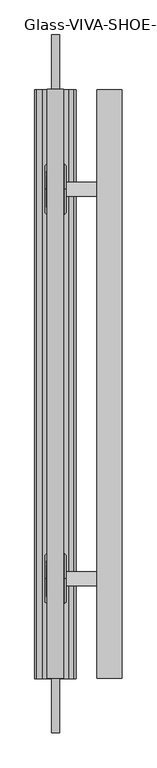
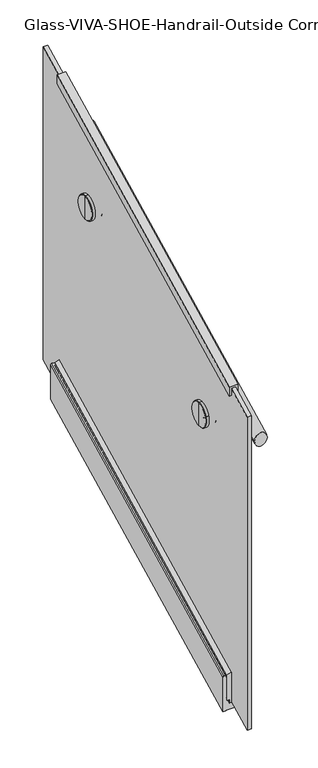
"""IFC4 building model written with IfcOpenShell, lengths in millimetres: railing geometry, Glass-VIVA-SHOE-Handrail-Outside Corner."""

from ifc_helpers import new_model, si_unit, point, frame, frame_2d, origin, place, context, project, spatial, polyline, circle_curve, ellipse_curve, trimmed, segment, composite_curve, outline, extrude, faceted_brep, source, transform, mapped, element, save
from ifc_brep_helpers import plane_surface, cylinder_surface, revolved_surface, advanced_brep


def glass_viva_shoe_handrail_outside_corner_ea5e2f29(model_context):
    return source(origin(), model_context, "Body", "SolidModel", [
        advanced_brep(
        [(-9348.8514824, 587.324143, -311.9922533), (-9348.8514824, 587.324143, -201.9497579), (-9352.0264824, 587.324143, -198.4), (-9359.9639824, 587.324143, -198.4), (-9359.9639824, 587.324143, -201.9497579), (-9359.9639824, 587.324143, -205.4995158), (-9359.9639824, 587.324143, -280.044432), (-9367.9014824, 587.324143, -280.044432), (-9367.9014824, 587.324143, -287.1439479), (-9371.0764824, 587.324143, -290.6937058), (-9390.1264824, 587.324143, -290.6937058), (-9393.3014824, 587.324143, -287.1439479), (-9393.3014824, 587.324143, -280.044432), (-9401.2389824, 587.324143, -280.044432), (-9401.2389824, 587.324143, -205.4995158), (-9401.2389824, 587.324143, -201.9497579), (-9401.2389824, 587.324143, -198.4), (-9409.1764824, 587.324143, -198.4), (-9412.3514824, 587.324143, -201.9497579), (-9412.3514824, 587.324143, -311.9922533), (-9402.8264824, 587.324143, -311.9922533), (-9402.8264824, 587.324143, -310.2173743), (-9358.3764824, 587.324143, -310.2173743), (-9358.3764824, 587.324143, -311.9922533), (-9348.8514824, 1487.324143, 138.0077467), (-9358.3764824, 1487.324143, 138.0077467), (-9358.3764824, 1487.324143, 139.7826257), (-9402.8264824, 1487.324143, 139.7826257), (-9402.8264824, 1487.324143, 138.0077467), (-9412.3514824, 1487.324143, 138.0077467), (-9412.3514824, 1487.324143, 248.0502421), (-9409.1764824, 1487.324143, 251.6), (-9401.2389824, 1487.324143, 251.6), (-9401.2389824, 1487.324143, 248.0502421), (-9401.2389824, 1487.324143, 244.5004842), (-9401.2389824, 1487.324143, 169.955568), (-9393.3014824, 1487.324143, 169.955568), (-9393.3014824, 1487.324143, 162.8560521), (-9390.1264824, 1487.324143, 159.3062942), (-9371.0764824, 1487.324143, 159.3062942), (-9367.9014824, 1487.324143, 162.8560521), (-9367.9014824, 1487.324143, 169.955568), (-9359.9639824, 1487.324143, 169.955568), (-9359.9639824, 1487.324143, 244.5004842), (-9359.9639824, 1487.324143, 248.0502421), (-9359.9639824, 1487.324143, 251.6), (-9352.0264824, 1487.324143, 251.6), (-9348.8514824, 1487.324143, 248.0502421)],
        [
            (0, 1),
            (1, 2, ellipse_curve(frame((-9352.0264824, 587.324143, -201.9497579), z_axis=(0.0, -1.0, 0.0), x_axis=(0.0, 0.0, -1.0)), 3.5497579, 3.175)),
            (2, 3),
            (3, 4),
            (4, 5, ellipse_curve(frame((-9359.9639824, 587.324143, -203.7246369), z_axis=(0.0, 1.0, 0.0), x_axis=(0.0, 0.0, 1.0)), 1.774879, 1.5875)),
            (5, 6),
            (6, 7),
            (7, 8),
            (8, 9, ellipse_curve(frame((-9371.0764824, 587.324143, -287.1439479), z_axis=(0.0, 1.0, 0.0), x_axis=(0.0, 0.0, 1.0)), 3.5497579, 3.175)),
            (9, 10),
            (10, 11, ellipse_curve(frame((-9390.1264824, 587.324143, -287.1439479), z_axis=(0.0, 1.0, 0.0), x_axis=(0.0, 0.0, 1.0)), 3.5497579, 3.175)),
            (11, 12),
            (12, 13),
            (13, 14),
            (14, 15, ellipse_curve(frame((-9401.2389824, 587.324143, -203.7246369), z_axis=(0.0, 1.0, 0.0), x_axis=(0.0, 0.0, 1.0)), 1.774879, 1.5875)),
            (15, 16),
            (16, 17),
            (17, 18, ellipse_curve(frame((-9409.1764824, 587.324143, -201.9497579), z_axis=(0.0, -1.0, 0.0), x_axis=(0.0, 0.0, -1.0)), 3.5497579, 3.175)),
            (18, 19),
            (19, 20),
            (20, 21),
            (21, 22),
            (22, 23),
            (23, 0),
            (24, 25),
            (25, 26),
            (26, 27),
            (27, 28),
            (28, 29),
            (29, 30),
            (30, 31, ellipse_curve(frame((-9409.1764824, 1487.324143, 248.0502421), z_axis=(0.0, 1.0, 0.0), x_axis=(0.0, 0.0, -1.0)), 3.5497579, 3.175)),
            (31, 32),
            (32, 33),
            (33, 34, ellipse_curve(frame((-9401.2389824, 1487.324143, 246.2753631), z_axis=(0.0, -1.0, 0.0), x_axis=(0.0, 0.0, 1.0)), 1.774879, 1.5875)),
            (34, 35),
            (35, 36),
            (36, 37),
            (37, 38, ellipse_curve(frame((-9390.1264824, 1487.324143, 162.8560521), z_axis=(0.0, -1.0, 0.0), x_axis=(0.0, 0.0, 1.0)), 3.5497579, 3.175)),
            (38, 39),
            (39, 40, ellipse_curve(frame((-9371.0764824, 1487.324143, 162.8560521), z_axis=(0.0, -1.0, 0.0), x_axis=(0.0, 0.0, 1.0)), 3.5497579, 3.175)),
            (40, 41),
            (41, 42),
            (42, 43),
            (43, 44, ellipse_curve(frame((-9359.9639824, 1487.324143, 246.2753631), z_axis=(0.0, -1.0, 0.0), x_axis=(0.0, 0.0, 1.0)), 1.774879, 1.5875)),
            (44, 45),
            (45, 46),
            (46, 47, ellipse_curve(frame((-9352.0264824, 1487.324143, 248.0502421), z_axis=(0.0, 1.0, 0.0), x_axis=(0.0, 0.0, -1.0)), 3.5497579, 3.175)),
            (47, 24),
            (0, 24),
            (47, 1),
            (46, 2),
            (45, 3),
            (44, 4),
            (43, 5),
            (42, 6),
            (41, 7),
            (40, 8),
            (39, 9),
            (38, 10),
            (37, 11),
            (36, 12),
            (35, 13),
            (34, 14),
            (33, 15),
            (32, 16),
            (31, 17),
            (30, 18),
            (29, 19),
            (28, 20),
            (27, 21),
            (26, 22),
            (25, 23),
        ],
        [
            plane_surface(frame((-9380.6014824, 587.324143, -198.4), z_axis=(0.0, -1.0, 0.0), x_axis=(0.0, 0.0, 1.0))),
            plane_surface(frame((-9380.6014824, 1487.324143, 251.6), z_axis=(0.0, 1.0, 0.0), x_axis=(0.0, 0.0, 1.0))),
            plane_surface(frame((-9348.8514824, 587.324143, -311.9922533), z_axis=(1.0000000000000002, 0.0, 0.0), x_axis=(0.0, 0.894427190999916, 0.447213595499958))),
            cylinder_surface(frame((-9352.0264824, 588.7440462, -201.2398063), z_axis=(0.0, -0.894427190999916, -0.447213595499958), x_axis=(-1.0, 0.0, 0.0)), 3.175),
            plane_surface(frame((-9352.0264824, 587.324143, -198.4), z_axis=(0.0, -0.447213595499958, 0.894427190999916), x_axis=(0.0, 0.894427190999916, 0.447213595499958))),
            plane_surface(frame((-9359.9639824, 587.324143, -198.4), z_axis=(-1.0000000000000002, 0.0, 0.0), x_axis=(0.0, 0.894427190999916, 0.447213595499958))),
            revolved_surface(polyline([(-9361.5514824, 1488.0340946000001, 246.6303389000001), (-9361.5514824, 586.6141914, -204.07961269999998)]), (-9359.9639824, 589.4539978, -202.6597095), (0.0, 0.894427190999916, 0.447213595499958)),
            plane_surface(frame((-9359.9639824, 587.324143, -205.4995158), z_axis=(-1.0000000000000002, 0.0, 0.0), x_axis=(0.0, 0.894427190999916, 0.447213595499958))),
            plane_surface(frame((-9359.9639824, 587.324143, -280.044432), z_axis=(0.0, -0.447213595499958, 0.894427190999916), x_axis=(0.0, 0.894427190999916, 0.447213595499958))),
            plane_surface(frame((-9367.9014824, 587.324143, -280.044432), z_axis=(-1.0000000000000002, 0.0, 0.0), x_axis=(0.0, 0.894427190999916, 0.447213595499958))),
            revolved_surface(polyline([(-9374.251482399999, 1488.7440461600002, 163.5660036800001), (-9374.251482399999, 585.9042398400001, -287.85389947999994)]), (-9371.0764824, 622.8217222, -269.3951583), (0.0, 0.894427190999916, 0.447213595499958)),
            plane_surface(frame((-9371.0764824, 587.324143, -290.6937058), z_axis=(0.0, -0.447213595499958, 0.894427190999916), x_axis=(0.0, 0.894427190999916, 0.447213595499958))),
            revolved_surface(polyline([(-9386.951482400002, 1488.7440461600002, 163.5660036800001), (-9386.951482400002, 585.9042398400001, -287.85389947999994)]), (-9390.1264824, 622.8217222, -269.3951583), (0.0, 0.894427190999916, 0.447213595499958)),
            plane_surface(frame((-9393.3014824, 587.324143, -287.1439479), z_axis=(1.0000000000000002, 0.0, 0.0), x_axis=(0.0, 0.894427190999916, 0.447213595499958))),
            plane_surface(frame((-9393.3014824, 587.324143, -280.044432), z_axis=(0.0, -0.447213595499958, 0.894427190999916), x_axis=(0.0, 0.894427190999916, 0.447213595499958))),
            plane_surface(frame((-9401.2389824, 587.324143, -280.044432), z_axis=(1.0000000000000002, 0.0, 0.0), x_axis=(0.0, 0.894427190999916, 0.447213595499958))),
            revolved_surface(polyline([(-9399.6514824, 1488.0340946000001, 246.6303389000001), (-9399.6514824, 586.6141914, -204.07961269999998)]), (-9401.2389824, 589.4539978, -202.6597095), (0.0, 0.894427190999916, 0.447213595499958)),
            plane_surface(frame((-9401.2389824, 587.324143, -201.9497579), z_axis=(1.0000000000000002, 0.0, 0.0), x_axis=(0.0, 0.894427190999916, 0.447213595499958))),
            plane_surface(frame((-9401.2389824, 587.324143, -198.4), z_axis=(0.0, -0.447213595499958, 0.894427190999916), x_axis=(0.0, 0.894427190999916, 0.447213595499958))),
            cylinder_surface(frame((-9409.1764824, 588.7440462, -201.2398063), z_axis=(0.0, -0.894427190999916, -0.447213595499958), x_axis=(1.0, 0.0, 0.0)), 3.175),
            plane_surface(frame((-9412.3514824, 587.324143, -201.9497579), z_axis=(-1.0000000000000002, 0.0, 0.0), x_axis=(0.0, 0.894427190999916, 0.447213595499958))),
            plane_surface(frame((-9412.3514824, 587.324143, -311.9922533), z_axis=(0.0, 0.447213595499958, -0.894427190999916), x_axis=(0.0, 0.894427190999916, 0.447213595499958))),
            plane_surface(frame((-9402.8264824, 587.324143, -311.9922533), z_axis=(1.0000000000000002, 0.0, 0.0), x_axis=(0.0, 0.894427190999916, 0.447213595499958))),
            plane_surface(frame((-9402.8264824, 587.324143, -310.2173743), z_axis=(0.0, 0.447213595499958, -0.894427190999916), x_axis=(0.0, 0.894427190999916, 0.447213595499958))),
            plane_surface(frame((-9358.3764824, 587.324143, -310.2173743), z_axis=(-1.0000000000000002, 0.0, 0.0), x_axis=(0.0, 0.894427190999916, 0.447213595499958))),
            plane_surface(frame((-9358.3764824, 587.324143, -311.9922533), z_axis=(0.0, 0.447213595499958, -0.894427190999916), x_axis=(0.0, 0.894427190999916, 0.447213595499958))),
        ],
        [
            (0, [[1, 2, 3, 4, 5, 6, 7, 8, 9, 10, 11, 12, 13, 14, 15, 16, 17, 18, 19, 20, 21, 22, 23, 24]]),
            (1, [[25, 26, 27, 28, 29, 30, 31, 32, 33, 34, 35, 36, 37, 38, 39, 40, 41, 42, 43, 44, 45, 46, 47, 48]]),
            (2, [[-1, 49, -48, 50]]),
            (3, [[-2, -50, -47, 51]]),
            (4, [[-3, -51, -46, 52]]),
            (5, [[-4, -52, -45, 53]]),
            (6, [[-5, -53, -44, 54]]),
            (7, [[-6, -54, -43, 55]]),
            (8, [[-7, -55, -42, 56]]),
            (9, [[-8, -56, -41, 57]]),
            (10, [[-9, -57, -40, 58]]),
            (11, [[-10, -58, -39, 59]]),
            (12, [[-11, -59, -38, 60]]),
            (13, [[-12, -60, -37, 61]]),
            (14, [[-13, -61, -36, 62]]),
            (15, [[-14, -62, -35, 63]]),
            (16, [[-15, -63, -34, 64]]),
            (17, [[-16, -64, -33, 65]]),
            (18, [[-17, -65, -32, 66]]),
            (19, [[-18, -66, -31, 67]]),
            (20, [[-19, -67, -30, 68]]),
            (21, [[-20, -68, -29, 69]]),
            (22, [[-21, -69, -28, 70]]),
            (23, [[-22, -70, -27, 71]]),
            (24, [[-23, -71, -26, 72]]),
            (25, [[-24, -72, -25, -49]]),
        ],
    ),
        advanced_brep(
        [(-9401.2389824, 587.324143, -280.044432), (-9393.3014824, 587.324143, -280.044432), (-9393.3014824, 587.324143, -290.6937058), (-9367.9014824, 587.324143, -290.6937058), (-9367.9014824, 587.324143, -280.044432), (-9359.9639824, 587.324143, -280.044432), (-9359.9639824, 587.324143, -205.4995158), (-9359.9639824, 587.324143, -201.9497579), (-9359.9639824, 587.324143, -198.4), (-9374.2514824, 587.324143, -194.8502421), (-9374.2514824, 587.324143, -287.1439479), (-9386.9514824, 587.324143, -287.1439479), (-9386.9514824, 587.324143, -194.8502421), (-9401.2389824, 587.324143, -198.4), (-9401.2389824, 587.324143, -201.9497579), (-9401.2389824, 587.324143, -205.4995158), (-9401.2389824, 1487.324143, 169.955568), (-9401.2389824, 1487.324143, 244.5004842), (-9401.2389824, 1487.324143, 248.0502421), (-9401.2389824, 1487.324143, 251.6), (-9386.9514824, 1487.324143, 255.1497579), (-9386.9514824, 1487.324143, 162.8560521), (-9374.2514824, 1487.324143, 162.8560521), (-9374.2514824, 1487.324143, 255.1497579), (-9359.9639824, 1487.324143, 251.6), (-9359.9639824, 1487.324143, 248.0502421), (-9359.9639824, 1487.324143, 244.5004842), (-9359.9639824, 1487.324143, 169.955568), (-9367.9014824, 1487.324143, 169.955568), (-9367.9014824, 1487.324143, 159.3062942), (-9393.3014824, 1487.324143, 159.3062942), (-9393.3014824, 1487.324143, 169.955568)],
        [
            (0, 1),
            (1, 2),
            (2, 3),
            (3, 4),
            (4, 5),
            (5, 6),
            (6, 7, ellipse_curve(frame((-9359.9639824, 587.324143, -203.7246369), z_axis=(0.0, -1.0, 0.0), x_axis=(0.0, 0.0, -1.0)), 1.774879, 1.5875)),
            (7, 8),
            (8, 9),
            (9, 10),
            (10, 11),
            (11, 12),
            (12, 13),
            (13, 14),
            (14, 15, ellipse_curve(frame((-9401.2389824, 587.324143, -203.7246369), z_axis=(0.0, -1.0, 0.0), x_axis=(0.0, 0.0, -1.0)), 1.774879, 1.5875)),
            (15, 0),
            (16, 17),
            (17, 18, ellipse_curve(frame((-9401.2389824, 1487.324143, 246.2753631), z_axis=(0.0, 1.0, 0.0), x_axis=(0.0, 0.0, -1.0)), 1.774879, 1.5875)),
            (18, 19),
            (19, 20),
            (20, 21),
            (21, 22),
            (22, 23),
            (23, 24),
            (24, 25),
            (25, 26, ellipse_curve(frame((-9359.9639824, 1487.324143, 246.2753631), z_axis=(0.0, 1.0, 0.0), x_axis=(0.0, 0.0, -1.0)), 1.774879, 1.5875)),
            (26, 27),
            (27, 28),
            (28, 29),
            (29, 30),
            (30, 31),
            (31, 16),
            (0, 16),
            (31, 1),
            (30, 2),
            (29, 3),
            (28, 4),
            (27, 5),
            (26, 6),
            (25, 7),
            (24, 8),
            (23, 9),
            (22, 10),
            (21, 11),
            (20, 12),
            (19, 13),
            (18, 14),
            (17, 15),
        ],
        [
            plane_surface(frame((-9380.6014824, 587.324143, -198.4), z_axis=(0.0, -1.0, 0.0), x_axis=(0.0, 0.0, 1.0))),
            plane_surface(frame((-9380.6014824, 1487.324143, 251.6), z_axis=(0.0, 1.0, 0.0), x_axis=(0.0, 0.0, 1.0))),
            plane_surface(frame((-9401.2389824, 587.324143, -280.044432), z_axis=(0.0, 0.447213595499958, -0.894427190999916), x_axis=(0.0, 0.894427190999916, 0.447213595499958))),
            plane_surface(frame((-9393.3014824, 587.324143, -280.044432), z_axis=(-1.0000000000000002, 0.0, 0.0), x_axis=(0.0, 0.894427190999916, 0.447213595499958))),
            plane_surface(frame((-9393.3014824, 587.324143, -290.6937058), z_axis=(0.0, 0.447213595499958, -0.894427190999916), x_axis=(0.0, 0.894427190999916, 0.447213595499958))),
            plane_surface(frame((-9367.9014824, 587.324143, -290.6937058), z_axis=(1.0000000000000002, 0.0, 0.0), x_axis=(0.0, 0.894427190999916, 0.447213595499958))),
            plane_surface(frame((-9367.9014824, 587.324143, -280.044432), z_axis=(0.0, 0.447213595499958, -0.894427190999916), x_axis=(0.0, 0.894427190999916, 0.447213595499958))),
            plane_surface(frame((-9359.9639824, 587.324143, -280.044432), z_axis=(1.0000000000000002, 0.0, 0.0), x_axis=(0.0, 0.894427190999916, 0.447213595499958))),
            cylinder_surface(frame((-9359.9639824, 589.4539978, -202.6597095), z_axis=(0.0, -0.894427190999916, -0.447213595499958), x_axis=(-1.0, 0.0, 0.0)), 1.5875),
            plane_surface(frame((-9359.9639824, 587.324143, -201.9497579), z_axis=(1.0000000000000002, 0.0, 0.0), x_axis=(0.0, 0.894427190999916, 0.447213595499958))),
            plane_surface(frame((-9359.9639824, 587.324143, -198.4), z_axis=(0.21693045781865475, -0.43656412506539977, 0.873128250130799), x_axis=(0.0, 0.894427190999916, 0.447213595499958))),
            plane_surface(frame((-9374.2514824, 587.324143, -194.8502421), z_axis=(-1.0000000000000002, 0.0, 0.0), x_axis=(0.0, 0.894427190999916, 0.447213595499958))),
            plane_surface(frame((-9374.2514824, 587.324143, -287.1439479), z_axis=(0.0, -0.447213595499958, 0.894427190999916), x_axis=(0.0, 0.894427190999916, 0.447213595499958))),
            plane_surface(frame((-9386.9514824, 587.324143, -287.1439479), z_axis=(1.0000000000000002, 0.0, 0.0), x_axis=(0.0, 0.894427190999916, 0.447213595499958))),
            plane_surface(frame((-9386.9514824, 587.324143, -194.8502421), z_axis=(-0.21693045781865583, -0.4365641250653992, 0.873128250130799), x_axis=(0.0, 0.894427190999916, 0.447213595499958))),
            plane_surface(frame((-9401.2389824, 587.324143, -198.4), z_axis=(-1.0000000000000002, 0.0, 0.0), x_axis=(0.0, 0.894427190999916, 0.447213595499958))),
            cylinder_surface(frame((-9401.2389824, 589.4539978, -202.6597095), z_axis=(0.0, -0.894427190999916, -0.447213595499958), x_axis=(1.0, 0.0, 0.0)), 1.5875),
            plane_surface(frame((-9401.2389824, 587.324143, -205.4995158), z_axis=(-1.0000000000000002, 0.0, 0.0), x_axis=(0.0, 0.894427190999916, 0.447213595499958))),
        ],
        [
            (0, [[1, 2, 3, 4, 5, 6, 7, 8, 9, 10, 11, 12, 13, 14, 15, 16]]),
            (1, [[17, 18, 19, 20, 21, 22, 23, 24, 25, 26, 27, 28, 29, 30, 31, 32]]),
            (2, [[-1, 33, -32, 34]]),
            (3, [[-2, -34, -31, 35]]),
            (4, [[-3, -35, -30, 36]]),
            (5, [[-4, -36, -29, 37]]),
            (6, [[-5, -37, -28, 38]]),
            (7, [[-6, -38, -27, 39]]),
            (8, [[-7, -39, -26, 40]]),
            (9, [[-8, -40, -25, 41]]),
            (10, [[-9, -41, -24, 42]]),
            (11, [[-10, -42, -23, 43]]),
            (12, [[-11, -43, -22, 44]]),
            (13, [[-12, -44, -21, 45]]),
            (14, [[-13, -45, -20, 46]]),
            (15, [[-14, -46, -19, 47]]),
            (16, [[-15, -47, -18, 48]]),
            (17, [[-16, -48, -17, -33]]),
        ],
    ),
        advanced_brep(
        [(-9279.0014824, 587.324143, 516.9014525), (-9317.1014824, 587.324143, 516.9014525), (-9279.0014824, 1487.324143, 966.9014525), (-9317.1014824, 1487.324143, 966.9014525)],
        [
            (0, 1, ellipse_curve(frame((-9298.0514824, 587.324143, 516.9014525), z_axis=(0.0, -1.0, 0.0), x_axis=(0.0, 0.0, -1.0)), 21.2985475, 19.05)),
            (1, 0, ellipse_curve(frame((-9298.0514824, 587.324143, 516.9014525), z_axis=(0.0, -1.0, 0.0), x_axis=(0.0, 0.0, -1.0)), 21.2985475, 19.05)),
            (2, 3, ellipse_curve(frame((-9298.0514824, 1487.324143, 966.9014525), z_axis=(0.0, 1.0, 0.0), x_axis=(0.0, 0.0, -1.0)), 21.2985475, 19.05)),
            (3, 2, ellipse_curve(frame((-9298.0514824, 1487.324143, 966.9014525), z_axis=(0.0, 1.0, 0.0), x_axis=(0.0, 0.0, -1.0)), 21.2985475, 19.05)),
            (0, 2),
            (3, 1),
        ],
        [
            plane_surface(frame((-9298.0514824, 587.324143, 538.2), z_axis=(0.0, -1.0, 0.0), x_axis=(0.0, 0.0, 1.0))),
            plane_surface(frame((-9298.0514824, 1487.324143, 988.2), z_axis=(0.0, 1.0, 0.0), x_axis=(0.0, 0.0, 1.0))),
            cylinder_surface(frame((-9298.0514824, 595.843562, 521.161162), z_axis=(0.0, -0.8944271909999159, -0.447213595499958), x_axis=(-1.0, 0.0, 0.0)), 19.05),
        ],
        [
            (0, [[1, 2]]),
            (1, [[3, 4]]),
            (2, [[-1, 5, -4, 6]]),
            (2, [[-2, -6, -3, -5]]),
        ],
    ),
        faceted_brep([(-9367.9014824, 587.324143, 716.0), (-9393.3014824, 587.324143, 716.0), (-9393.3014824, 587.324143, 687.6019367), (-9386.9514824, 587.324143, 687.6019367), (-9386.9514824, 587.324143, 710.6753631), (-9374.2514824, 587.324143, 710.6753631), (-9374.2514824, 587.324143, 687.6019367), (-9367.9014824, 587.324143, 687.6019367), (-9367.9014824, 1487.324143, 1166.0), (-9367.9014824, 1487.324143, 1137.6019367), (-9374.2514824, 1487.324143, 1137.6019367), (-9374.2514824, 1487.324143, 1160.6753631), (-9386.9514824, 1487.324143, 1160.6753631), (-9386.9514824, 1487.324143, 1137.6019367), (-9393.3014824, 1487.324143, 1137.6019367), (-9393.3014824, 1487.324143, 1166.0)], [[[0, 1, 2, 3, 4, 5, 6, 7]], [[8, 9, 10, 11, 12, 13, 14, 15]], [[1, 0, 8, 15]], [[2, 1, 15, 14]], [[3, 2, 14, 13]], [[4, 3, 13, 12]], [[5, 4, 12, 11]], [[6, 5, 11, 10]], [[7, 6, 10, 9]], [[0, 7, 9, 8]]]),
        extrude(outline(polyline([(1570.724143, 204.5560521), (503.924143, -328.8439479), (503.924143, 668.9753631), (1570.724143, 1202.3753631), (1570.724143, 204.5560521)])), frame((-9386.9514824, 0.0, 0.0), z_axis=(1.0, 0.0, 0.0), x_axis=(0.0, 1.0, 0.0)), (0.0, 0.0, 1.0), 12.7),
        extrude(outline(composite_curve([segment(trimmed(circle_curve(frame_2d((-9298.0514824, 1334.924143)), 5.953125), [point((-9304.0046074, 1334.924143))], [point((-9292.0983574, 1334.924143))], False, "CARTESIAN"), True, "CONTINUOUS"), segment(trimmed(circle_curve(frame_2d((-9298.0514824, 1334.924143)), 5.953125), [point((-9292.0983574, 1334.924143))], [point((-9304.0046074, 1334.924143))], False, "CARTESIAN"), True, "CONTINUOUS")], self_intersect=False)), frame((0.0, 0.0, 810.4), z_axis=(0.0, 0.0, 1.0), x_axis=(1.0, 0.0, 0.0)), (0.0, 0.0, 1.0), 76.2),
        extrude(outline(composite_curve([segment(trimmed(circle_curve(frame_2d((1334.924143, 835.8)), 11.0132813), [point((1345.9374243, 835.8))], [point((1323.9108618, 835.8))], False, "CARTESIAN"), True, "CONTINUOUS"), segment(trimmed(circle_curve(frame_2d((1334.924143, 835.8)), 11.0132813), [point((1323.9108618, 835.8))], [point((1345.9374243, 835.8))], False, "CARTESIAN"), True, "CONTINUOUS")], self_intersect=False)), frame((-9364.6272636, 0.0, 0.0), z_axis=(1.0, 0.0, 0.0), x_axis=(0.0, 1.0, 0.0)), (0.0, 0.0, 1.0), 79.2757812),
        advanced_brep(
        [(-9396.5757011, 1334.924143, 835.8), (-9396.5757011, 1334.924143, 799.684375), (-9396.5757011, 1334.924143, 871.915625), (-9364.6272636, 1334.924143, 799.684375), (-9364.6272636, 1334.924143, 835.8), (-9364.6272636, 1334.924143, 871.915625), (-9366.6116386, 1334.924143, 797.7), (-9366.6116386, 1334.924143, 873.9), (-9374.2514824, 1334.924143, 797.7), (-9374.2514824, 1334.924143, 873.9), (-9374.2514824, 1334.924143, 823.1), (-9374.2514824, 1334.924143, 848.5), (-9386.9514824, 1334.924143, 823.1), (-9386.9514824, 1334.924143, 848.5), (-9386.9514824, 1334.924143, 797.7), (-9386.9514824, 1334.924143, 873.9), (-9394.5913261, 1334.924143, 797.7), (-9394.5913261, 1334.924143, 873.9)],
        [
            (0, 1),
            (1, 2, circle_curve(frame((-9396.5757011, 1334.924143, 835.8), z_axis=(-1.0, 0.0, 0.0), x_axis=(0.0, 0.0, 1.0)), 36.115625)),
            (2, 0),
            (2, 1, circle_curve(frame((-9396.5757011, 1334.924143, 835.8), z_axis=(-1.0, 0.0, 0.0), x_axis=(0.0, 0.0, 1.0)), 36.115625)),
            (3, 4),
            (4, 5),
            (5, 3, circle_curve(frame((-9364.6272636, 1334.924143, 835.8), z_axis=(1.0, 0.0, 0.0), x_axis=(0.0, 0.0, 1.0)), 36.115625)),
            (3, 5, circle_curve(frame((-9364.6272636, 1334.924143, 835.8), z_axis=(1.0, 0.0, 0.0), x_axis=(0.0, 0.0, 1.0)), 36.115625)),
            (6, 3),
            (5, 7),
            (7, 6, circle_curve(frame((-9366.6116386, 1334.924143, 835.8), z_axis=(1.0, 0.0, 0.0), x_axis=(0.0, 0.0, 1.0)), 38.1)),
            (6, 7, circle_curve(frame((-9366.6116386, 1334.924143, 835.8), z_axis=(1.0, 0.0, 0.0), x_axis=(0.0, 0.0, 1.0)), 38.1)),
            (8, 6),
            (7, 9),
            (9, 8, circle_curve(frame((-9374.2514824, 1334.924143, 835.8), z_axis=(1.0, 0.0, 0.0), x_axis=(0.0, 0.0, 1.0)), 38.1)),
            (8, 9, circle_curve(frame((-9374.2514824, 1334.924143, 835.8), z_axis=(1.0, 0.0, 0.0), x_axis=(0.0, 0.0, 1.0)), 38.1)),
            (10, 8),
            (9, 11),
            (11, 10, circle_curve(frame((-9374.2514824, 1334.924143, 835.8), z_axis=(1.0, 0.0, 0.0), x_axis=(0.0, 0.0, 1.0)), 12.7)),
            (10, 11, circle_curve(frame((-9374.2514824, 1334.924143, 835.8), z_axis=(1.0, 0.0, 0.0), x_axis=(0.0, 0.0, 1.0)), 12.7)),
            (12, 10),
            (11, 13),
            (13, 12, circle_curve(frame((-9386.9514824, 1334.924143, 835.8), z_axis=(1.0, 0.0, 0.0), x_axis=(0.0, 0.0, 1.0)), 12.7)),
            (12, 13, circle_curve(frame((-9386.9514824, 1334.924143, 835.8), z_axis=(1.0, 0.0, 0.0), x_axis=(0.0, 0.0, 1.0)), 12.7)),
            (14, 12),
            (13, 15),
            (15, 14, circle_curve(frame((-9386.9514824, 1334.924143, 835.8), z_axis=(1.0, 0.0, 0.0), x_axis=(0.0, 0.0, 1.0)), 38.1)),
            (14, 15, circle_curve(frame((-9386.9514824, 1334.924143, 835.8), z_axis=(1.0, 0.0, 0.0), x_axis=(0.0, 0.0, 1.0)), 38.1)),
            (16, 14),
            (15, 17),
            (17, 16, circle_curve(frame((-9394.5913261, 1334.924143, 835.8), z_axis=(1.0, 0.0, 0.0), x_axis=(0.0, 0.0, 1.0)), 38.1)),
            (16, 17, circle_curve(frame((-9394.5913261, 1334.924143, 835.8), z_axis=(1.0, 0.0, 0.0), x_axis=(0.0, 0.0, 1.0)), 38.1)),
            (1, 16),
            (17, 2),
        ],
        [
            plane_surface(frame((-9396.5757011, 1334.924143, 835.8), z_axis=(-1.0, 0.0, 0.0), x_axis=(0.0, 0.0, 1.0))),
            plane_surface(frame((-9364.6272636, 1334.924143, 835.8), z_axis=(1.0, 0.0, 0.0), x_axis=(0.0, 0.0, 1.0))),
            revolved_surface(polyline([(-9364.6272636, 1334.924143, 871.915625), (-9366.6116386, 1334.924143, 873.9)]), (-9432.6913261, 1334.924143, 835.8), (-1.0, 0.0, 0.0)),
            cylinder_surface(frame((-9432.6913261, 1334.924143, 835.8), z_axis=(-1.0, 0.0, 0.0), x_axis=(0.0, 0.0, 1.0)), 38.1),
            plane_surface(frame((-9374.2514824, 1334.924143, 835.8), z_axis=(-1.0, 0.0, 0.0), x_axis=(0.0, 0.0, 1.0))),
            cylinder_surface(frame((-9432.6913261, 1334.924143, 835.8), z_axis=(-1.0, 0.0, 0.0), x_axis=(0.0, 0.0, 1.0)), 12.7),
            plane_surface(frame((-9386.9514824, 1334.924143, 835.8), z_axis=(1.0, 0.0, 0.0), x_axis=(0.0, 0.0, 1.0))),
            revolved_surface(polyline([(-9394.5913261, 1334.924143, 873.9), (-9396.5757011, 1334.924143, 871.915625)]), (-9432.6913261, 1334.924143, 835.8), (-1.0, 0.0, 0.0)),
        ],
        [
            (0, [[1, 2, 3]]),
            (0, [[-3, 4, -1]]),
            (1, [[5, 6, 7]]),
            (1, [[-6, -5, 8]]),
            (2, [[9, -7, 10, 11]]),
            (2, [[-10, -8, -9, 12]]),
            (3, [[13, -11, 14, 15]]),
            (3, [[-14, -12, -13, 16]]),
            (4, [[17, -15, 18, 19]]),
            (4, [[-18, -16, -17, 20]]),
            (5, [[21, -19, 22, 23]]),
            (5, [[-22, -20, -21, 24]]),
            (6, [[25, -23, 26, 27]]),
            (6, [[-26, -24, -25, 28]]),
            (3, [[29, -27, 30, 31]]),
            (3, [[-30, -28, -29, 32]]),
            (7, [[33, -31, 34, -2]]),
            (7, [[-34, -32, -33, -4]]),
        ],
    ),
        extrude(outline(composite_curve([segment(trimmed(circle_curve(frame_2d((-9298.0514824, 739.724143)), 5.953125), [point((-9304.0046074, 739.724143))], [point((-9292.0983574, 739.724143))], False, "CARTESIAN"), True, "CONTINUOUS"), segment(trimmed(circle_curve(frame_2d((-9298.0514824, 739.724143)), 5.953125), [point((-9292.0983574, 739.724143))], [point((-9304.0046074, 739.724143))], False, "CARTESIAN"), True, "CONTINUOUS")], self_intersect=False)), frame((0.0, 0.0, 512.8), z_axis=(0.0, 0.0, 1.0), x_axis=(1.0, 0.0, 0.0)), (0.0, 0.0, 1.0), 76.2),
        extrude(outline(composite_curve([segment(trimmed(circle_curve(frame_2d((739.724143, 538.2)), 11.0132813), [point((750.7374243, 538.2))], [point((728.7108618, 538.2))], False, "CARTESIAN"), True, "CONTINUOUS"), segment(trimmed(circle_curve(frame_2d((739.724143, 538.2)), 11.0132813), [point((728.7108618, 538.2))], [point((750.7374243, 538.2))], False, "CARTESIAN"), True, "CONTINUOUS")], self_intersect=False)), frame((-9364.6272636, 0.0, 0.0), z_axis=(1.0, 0.0, 0.0), x_axis=(0.0, 1.0, 0.0)), (0.0, 0.0, 1.0), 79.2757812),
        advanced_brep(
        [(-9396.5757011, 739.724143, 538.2), (-9396.5757011, 739.724143, 502.084375), (-9396.5757011, 739.724143, 574.315625), (-9364.6272636, 739.724143, 502.084375), (-9364.6272636, 739.724143, 538.2), (-9364.6272636, 739.724143, 574.315625), (-9366.6116386, 739.724143, 500.1), (-9366.6116386, 739.724143, 576.3), (-9374.2514824, 739.724143, 500.1), (-9374.2514824, 739.724143, 576.3), (-9374.2514824, 739.724143, 525.5), (-9374.2514824, 739.724143, 550.9), (-9386.9514824, 739.724143, 525.5), (-9386.9514824, 739.724143, 550.9), (-9386.9514824, 739.724143, 500.1), (-9386.9514824, 739.724143, 576.3), (-9394.5913261, 739.724143, 500.1), (-9394.5913261, 739.724143, 576.3)],
        [
            (0, 1),
            (1, 2, circle_curve(frame((-9396.5757011, 739.724143, 538.2), z_axis=(-1.0, 0.0, 0.0), x_axis=(0.0, 0.0, 1.0)), 36.115625)),
            (2, 0),
            (2, 1, circle_curve(frame((-9396.5757011, 739.724143, 538.2), z_axis=(-1.0, 0.0, 0.0), x_axis=(0.0, 0.0, 1.0)), 36.115625)),
            (3, 4),
            (4, 5),
            (5, 3, circle_curve(frame((-9364.6272636, 739.724143, 538.2), z_axis=(1.0, 0.0, 0.0), x_axis=(0.0, 0.0, 1.0)), 36.115625)),
            (3, 5, circle_curve(frame((-9364.6272636, 739.724143, 538.2), z_axis=(1.0, 0.0, 0.0), x_axis=(0.0, 0.0, 1.0)), 36.115625)),
            (6, 3),
            (5, 7),
            (7, 6, circle_curve(frame((-9366.6116386, 739.724143, 538.2), z_axis=(1.0, 0.0, 0.0), x_axis=(0.0, 0.0, 1.0)), 38.1)),
            (6, 7, circle_curve(frame((-9366.6116386, 739.724143, 538.2), z_axis=(1.0, 0.0, 0.0), x_axis=(0.0, 0.0, 1.0)), 38.1)),
            (8, 6),
            (7, 9),
            (9, 8, circle_curve(frame((-9374.2514824, 739.724143, 538.2), z_axis=(1.0, 0.0, 0.0), x_axis=(0.0, 0.0, 1.0)), 38.1)),
            (8, 9, circle_curve(frame((-9374.2514824, 739.724143, 538.2), z_axis=(1.0, 0.0, 0.0), x_axis=(0.0, 0.0, 1.0)), 38.1)),
            (10, 8),
            (9, 11),
            (11, 10, circle_curve(frame((-9374.2514824, 739.724143, 538.2), z_axis=(1.0, 0.0, 0.0), x_axis=(0.0, 0.0, 1.0)), 12.7)),
            (10, 11, circle_curve(frame((-9374.2514824, 739.724143, 538.2), z_axis=(1.0, 0.0, 0.0), x_axis=(0.0, 0.0, 1.0)), 12.7)),
            (12, 10),
            (11, 13),
            (13, 12, circle_curve(frame((-9386.9514824, 739.724143, 538.2), z_axis=(1.0, 0.0, 0.0), x_axis=(0.0, 0.0, 1.0)), 12.7)),
            (12, 13, circle_curve(frame((-9386.9514824, 739.724143, 538.2), z_axis=(1.0, 0.0, 0.0), x_axis=(0.0, 0.0, 1.0)), 12.7)),
            (14, 12),
            (13, 15),
            (15, 14, circle_curve(frame((-9386.9514824, 739.724143, 538.2), z_axis=(1.0, 0.0, 0.0), x_axis=(0.0, 0.0, 1.0)), 38.1)),
            (14, 15, circle_curve(frame((-9386.9514824, 739.724143, 538.2), z_axis=(1.0, 0.0, 0.0), x_axis=(0.0, 0.0, 1.0)), 38.1)),
            (16, 14),
            (15, 17),
            (17, 16, circle_curve(frame((-9394.5913261, 739.724143, 538.2), z_axis=(1.0, 0.0, 0.0), x_axis=(0.0, 0.0, 1.0)), 38.1)),
            (16, 17, circle_curve(frame((-9394.5913261, 739.724143, 538.2), z_axis=(1.0, 0.0, 0.0), x_axis=(0.0, 0.0, 1.0)), 38.1)),
            (1, 16),
            (17, 2),
        ],
        [
            plane_surface(frame((-9396.5757011, 739.724143, 538.2), z_axis=(-1.0, 0.0, 0.0), x_axis=(0.0, 0.0, 1.0))),
            plane_surface(frame((-9364.6272636, 739.724143, 538.2), z_axis=(1.0, 0.0, 0.0), x_axis=(0.0, 0.0, 1.0))),
            revolved_surface(polyline([(-9364.6272636, 739.724143, 574.315625), (-9366.6116386, 739.724143, 576.3)]), (-9432.6913261, 739.724143, 538.2), (-1.0, 0.0, 0.0)),
            cylinder_surface(frame((-9432.6913261, 739.724143, 538.2), z_axis=(-1.0, 0.0, 0.0), x_axis=(0.0, 0.0, 1.0)), 38.1),
            plane_surface(frame((-9374.2514824, 739.724143, 538.2), z_axis=(-1.0, 0.0, 0.0), x_axis=(0.0, 0.0, 1.0))),
            cylinder_surface(frame((-9432.6913261, 739.724143, 538.2), z_axis=(-1.0, 0.0, 0.0), x_axis=(0.0, 0.0, 1.0)), 12.7),
            plane_surface(frame((-9386.9514824, 739.724143, 538.2), z_axis=(1.0, 0.0, 0.0), x_axis=(0.0, 0.0, 1.0))),
            revolved_surface(polyline([(-9394.5913261, 739.724143, 576.3), (-9396.5757011, 739.724143, 574.315625)]), (-9432.6913261, 739.724143, 538.2), (-1.0, 0.0, 0.0)),
        ],
        [
            (0, [[1, 2, 3]]),
            (0, [[-3, 4, -1]]),
            (1, [[5, 6, 7]]),
            (1, [[-6, -5, 8]]),
            (2, [[9, -7, 10, 11]]),
            (2, [[-10, -8, -9, 12]]),
            (3, [[13, -11, 14, 15]]),
            (3, [[-14, -12, -13, 16]]),
            (4, [[17, -15, 18, 19]]),
            (4, [[-18, -16, -17, 20]]),
            (5, [[21, -19, 22, 23]]),
            (5, [[-22, -20, -21, 24]]),
            (6, [[25, -23, 26, 27]]),
            (6, [[-26, -24, -25, 28]]),
            (3, [[29, -27, 30, 31]]),
            (3, [[-30, -28, -29, 32]]),
            (7, [[33, -31, 34, -2]]),
            (7, [[-34, -32, -33, -4]]),
        ],
    ),
    ])


if __name__ == "__main__":
    model = new_model("IFC4")
    model_context = context("Model", 3, world=origin())
    ifc_project = project(units=[si_unit("LENGTHUNIT", "METRE", prefix="MILLI")], contexts=[model_context])
    site = spatial("IfcSite", under=ifc_project)
    building = spatial("IfcBuilding", under=site)
    placement = place(None, origin())
    glass_viva_shoe_handrail_outside_corner_shape = glass_viva_shoe_handrail_outside_corner_ea5e2f29(model_context)
    element("IfcRailing", 1, ObjectType="Glass-VIVA-SHOE-Handrail-Outside Corner", at=placement, inside=building, context=model_context, shape_type="MappedRepresentation", body=[
        mapped(glass_viva_shoe_handrail_outside_corner_shape, transform((0.0, 0.0, 0.0), x_axis=(1.0, 0.0, 0.0), y_axis=(0.0, 1.0, 0.0), z_axis=(0.0, 0.0, 1.0))),
    ])
    save(model, "model.ifc")
